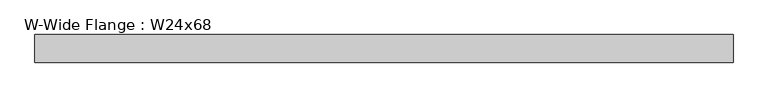
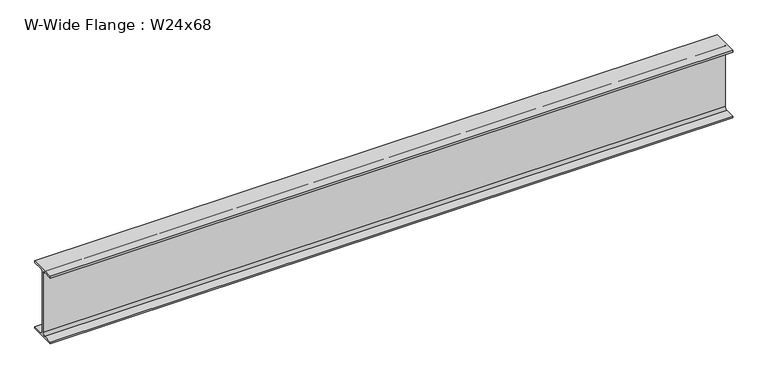
"""IFC4 building model written with IfcOpenShell, lengths in millimetres: beam geometry, W-Wide Flange : W24x68."""

import ifcopenshell
import ifcopenshell.guid

model = None  # the IFC model being written
_history = None  # IfcOwnerHistory: only IFC2X3 demands one
_inside = {}  # id of a spatial element -> (the spatial element, [elements in it])
_under = {}  # id of a project, library or spatial element -> (it, [spatial elements below it])
_declared = {}  # id of a project -> (the project, [libraries it declares])
_typed = {}  # id of a type object -> (the type object, [elements of that type])
_made_of = {}  # id of a material, layer set ... -> (it, [elements and type objects made of it])


def new_model(schema):
    """Start an empty IFC model of exactly this schema.

    Asked for "IFC4X3", IfcOpenShell would pick the latest addendum, in which some entities
    have other attributes; the version numbers below select the first issue.
    IFC2X3 requires an IfcOwnerHistory on every rooted entity: one is made here for all.
    """
    global model, _history
    if schema == "IFC4X3":
        model = ifcopenshell.file(schema_version=(4, 3, 0, 0))
    else:
        model = ifcopenshell.file(schema=schema)
    _inside.clear()
    _under.clear()
    _declared.clear()
    _typed.clear()
    _made_of.clear()
    _history = None
    if model.schema == "IFC2X3":
        org = make("IfcOrganization", Name="unknown")
        user = make(
            "IfcPersonAndOrganization",
            ThePerson=make("IfcPerson", FamilyName="unknown"),
            TheOrganization=org,
        )
        app = make(
            "IfcApplication",
            ApplicationDeveloper=org,
            Version="unknown",
            ApplicationFullName="unknown",
            ApplicationIdentifier="unknown",
        )
        _history = make(
            "IfcOwnerHistory",
            OwningUser=user,
            OwningApplication=app,
            ChangeAction="ADDED",
            CreationDate=0,
        )
    return model


def make(cls, **values):
    """One entity of the class cls with the attributes given. An attribute that is None is left unset."""
    return model.create_entity(
        cls, **{name: value for name, value in values.items() if value is not None}
    )


def rooted(cls, **values):
    """An entity with a GlobalId (a new one), such as an element, a storey or a relation."""
    return make(cls, GlobalId=ifcopenshell.guid.new(), OwnerHistory=_history, **values)


def si_unit(unit_type, name, prefix=None):
    """IfcSIUnit, for example si_unit("LENGTHUNIT", "METRE", prefix="MILLI")."""
    return make("IfcSIUnit", UnitType=unit_type, Prefix=prefix, Name=name)


def assignment(units):
    """IfcUnitAssignment: the units of a project."""
    return None if units is None else make("IfcUnitAssignment", Units=units)


def point(xyz):
    """IfcCartesianPoint."""
    return None if xyz is None else make("IfcCartesianPoint", Coordinates=xyz)


def direction(xyz):
    """IfcDirection."""
    return None if xyz is None else make("IfcDirection", DirectionRatios=xyz)


def frame(location, z_axis=None, x_axis=None):
    """IfcAxis2Placement3D, a coordinate frame: its origin and axes. An axis left out is left unset."""
    return make(
        "IfcAxis2Placement3D",
        Location=point(location),
        Axis=direction(z_axis),
        RefDirection=direction(x_axis),
    )


def frame_2d(location, x_axis=None):
    """IfcAxis2Placement2D, a coordinate frame in the plane: its origin and x axis."""
    return make(
        "IfcAxis2Placement2D", Location=point(location), RefDirection=direction(x_axis)
    )


def origin():
    """The frame at (0, 0, 0) with its axes left unset."""
    return frame((0.0, 0.0, 0.0))


def place(relative_to, where):
    """IfcLocalPlacement: puts the frame where relative to a parent placement (None: the world)."""
    return make(
        "IfcLocalPlacement", PlacementRelTo=relative_to, RelativePlacement=where
    )


def context(
    kind, dimensions, precision=None, world=None, true_north=None, identifier=None
):
    """IfcGeometricRepresentationContext, for example the 3D "Model" context."""
    return make(
        "IfcGeometricRepresentationContext",
        ContextIdentifier=identifier,
        ContextType=kind,
        CoordinateSpaceDimension=dimensions,
        Precision=precision,
        WorldCoordinateSystem=world,
        TrueNorth=true_north,
    )


def project(units=None, contexts=None):
    """IfcProject with its units and contexts."""
    return rooted(
        "IfcProject",
        Name="project",
        RepresentationContexts=contexts,
        UnitsInContext=assignment(units),
    )


def spatial(cls, under=None, at=None, **own):
    """A site, building, storey or space (cls), placed at a placement, below another one or the project."""
    s = rooted(cls, ObjectPlacement=at, **own)
    if under is not None:
        _under.setdefault(under.id(), (under, []))[1].append(s)
    return s


def polyline(points):
    """IfcPolyline through the points."""
    return make("IfcPolyline", Points=[point(p) for p in points])


def circle_curve(where, radius):
    """IfcCircle in the frame where."""
    return make("IfcCircle", Position=where, Radius=radius)


def trimmed(basis, trim1, trim2, sense, master):
    """IfcTrimmedCurve: the piece of a basis curve between two trims."""
    return make(
        "IfcTrimmedCurve",
        BasisCurve=basis,
        Trim1=trim1,
        Trim2=trim2,
        SenseAgreement=sense,
        MasterRepresentation=master,
    )


def segment(curve, same_sense, transition):
    """IfcCompositeCurveSegment."""
    return make(
        "IfcCompositeCurveSegment",
        Transition=transition,
        SameSense=same_sense,
        ParentCurve=curve,
    )


def composite_curve(segments, self_intersect=None):
    """IfcCompositeCurve: segments joined end to end."""
    return make("IfcCompositeCurve", Segments=segments, SelfIntersect=self_intersect)


def outline(outer, holes=None, kind="AREA"):
    """IfcArbitraryClosedProfileDef: a profile drawn as a closed curve; with holes, ...WithVoids."""
    if holes is None:
        return make("IfcArbitraryClosedProfileDef", ProfileType=kind, OuterCurve=outer)
    return make(
        "IfcArbitraryProfileDefWithVoids",
        ProfileType=kind,
        OuterCurve=outer,
        InnerCurves=holes,
    )


def extrude(swept, where, along, depth):
    """IfcExtrudedAreaSolid: the profile swept, set in the frame where, extruded along a direction by depth."""
    return make(
        "IfcExtrudedAreaSolid",
        SweptArea=swept,
        Position=where,
        ExtrudedDirection=direction(along),
        Depth=depth,
    )


def shape(context_of_items, identifier, shape_type, items):
    """IfcShapeRepresentation: the items that make up one representation, for example the "Body"."""
    return make(
        "IfcShapeRepresentation",
        ContextOfItems=context_of_items,
        RepresentationIdentifier=identifier,
        RepresentationType=shape_type,
        Items=items,
    )


def source(mapping_origin, context_of_items, identifier, shape_type, items):
    """IfcRepresentationMap: a shape defined once, which mapped items show again and again."""
    return make(
        "IfcRepresentationMap",
        MappingOrigin=mapping_origin,
        MappedRepresentation=shape(context_of_items, identifier, shape_type, items),
    )


def transform(
    local_origin,
    x_axis=None,
    y_axis=None,
    z_axis=None,
    scale=None,
    scale2=None,
    scale3=None,
    uniform=True,
):
    """IfcCartesianTransformationOperator3D, or its non-uniform kind. x_axis, y_axis, z_axis: its Axis1, 2, 3."""
    if uniform:
        return make(
            "IfcCartesianTransformationOperator3D",
            Axis1=direction(x_axis),
            Axis2=direction(y_axis),
            LocalOrigin=point(local_origin),
            Scale=scale,
            Axis3=direction(z_axis),
        )
    return make(
        "IfcCartesianTransformationOperator3DnonUniform",
        Axis1=direction(x_axis),
        Axis2=direction(y_axis),
        LocalOrigin=point(local_origin),
        Scale=scale,
        Axis3=direction(z_axis),
        Scale2=scale2,
        Scale3=scale3,
    )


def mapped(mapping_source, mapping_target):
    """IfcMappedItem: shows the shape of a source again, moved by a transform."""
    return make(
        "IfcMappedItem", MappingSource=mapping_source, MappingTarget=mapping_target
    )


def made_of(thing, what):
    """Note that an element or type object is made of a material, layer set ...; save() writes the relation."""
    if what is not None:
        _made_of.setdefault(what.id(), (what, []))[1].append(thing)
    return thing


def element(
    cls,
    number,
    at=None,
    inside=None,
    cuts=None,
    type_object=None,
    material=None,
    context=None,
    identifier="Body",
    shape_type=None,
    held_by="IfcProductDefinitionShape",
    body=None,
    shapes=None,
    **own,
):
    """One element of the class cls, such as IfcWall. Its Tag is "e" and its number.

    at: its placement. inside: the storey or other place that contains it. cuts: it is an
    opening in that element (IfcRelVoidsElement). A single representation is given by context,
    identifier, shape_type and body (its items); several are given by shapes. held_by: the class
    of the entity that holds the representations. save() writes the other relations.
    """
    e = rooted(cls, Tag="e%d" % number, ObjectPlacement=at, **own)
    if body is not None:
        shapes = [shape(context, identifier, shape_type, body)]
    if shapes is not None:
        e.Representation = make(held_by, Representations=shapes)
    if inside is not None:
        _inside.setdefault(inside.id(), (inside, []))[1].append(e)
    if cuts is not None:
        rooted(
            "IfcRelVoidsElement", RelatingBuildingElement=cuts, RelatedOpeningElement=e
        )
    if type_object is not None:
        _typed.setdefault(type_object.id(), (type_object, []))[1].append(e)
    return made_of(e, material)


def aggregate(whole, parts):
    """IfcRelAggregates: a whole, such as a stair, and the parts it consists of."""
    return rooted("IfcRelAggregates", RelatingObject=whole, RelatedObjects=parts)


def save(model, path):
    """Write the relations noted so far, then the file.

    IfcRelAggregates (storeys below a building ...), IfcRelContainedInSpatialStructure (elements
    in a storey), IfcRelDefinesByType, IfcRelAssociatesMaterial and IfcRelDeclares: one each for
    every whole, place, type object, material and project.
    """
    for whole, parts in _under.values():
        aggregate(whole, parts)
    for where, things in _inside.values():
        rooted(
            "IfcRelContainedInSpatialStructure",
            RelatedElements=things,
            RelatingStructure=where,
        )
    for kind, things in _typed.values():
        rooted("IfcRelDefinesByType", RelatedObjects=things, RelatingType=kind)
    for what, things in _made_of.values():
        rooted("IfcRelAssociatesMaterial", RelatedObjects=things, RelatingMaterial=what)
    for by, libraries in _declared.values():
        rooted("IfcRelDeclares", RelatingContext=by, RelatedDefinitions=libraries)
    model.write(path)


def w_wide_flange_w24x68_948111c7(model_context):
    return source(origin(), model_context, "Body", "SweptSolid", [
        extrude(outline(composite_curve([segment(polyline([(113.919, -286.131), (113.919, -300.99), (-113.919, -300.99), (-113.919, -286.131), (-28.5115, -286.131)]), True, "CONTINUOUS"), segment(trimmed(circle_curve(frame_2d((-28.5115, -262.89)), 23.241), [point((-28.5115, -286.131))], [point((-5.2705, -262.89))], True, "CARTESIAN"), True, "CONTINUOUS"), segment(polyline([(-5.2705, -262.89), (-5.2705, 262.89)]), True, "CONTINUOUS"), segment(trimmed(circle_curve(frame_2d((-28.5115, 262.89)), 23.241), [point((-5.2705, 262.89))], [point((-28.5115, 286.131))], True, "CARTESIAN"), True, "CONTINUOUS"), segment(polyline([(-28.5115, 286.131), (-113.919, 286.131), (-113.919, 300.99), (113.919, 300.99), (113.919, 286.131), (28.5115, 286.131)]), True, "CONTINUOUS"), segment(trimmed(circle_curve(frame_2d((28.5115, 262.89)), 23.241), [point((28.5115, 286.131))], [point((5.2705, 262.89))], True, "CARTESIAN"), True, "CONTINUOUS"), segment(polyline([(5.2705, 262.89), (5.2705, -262.89)]), True, "CONTINUOUS"), segment(trimmed(circle_curve(frame_2d((28.5115, -262.89)), 23.241), [point((5.2705, -262.89))], [point((28.5115, -286.131))], True, "CARTESIAN"), True, "CONTINUOUS"), segment(polyline([(28.5115, -286.131), (113.919, -286.131)]), True, "CONTINUOUS")], self_intersect=False)), frame((-2832.0813955, 0.0, 0.0), z_axis=(1.0, 0.0, 0.0), x_axis=(0.0, 1.0, 0.0)), (0.0, 0.0, 1.0), 5764.53),
    ])


if __name__ == "__main__":
    model = new_model("IFC4")
    model_context = context("Model", 3, world=origin())
    ifc_project = project(units=[si_unit("LENGTHUNIT", "METRE", prefix="MILLI")], contexts=[model_context])
    site = spatial("IfcSite", under=ifc_project)
    building = spatial("IfcBuilding", under=site)
    placement = place(None, origin())
    w_wide_flange_w24x68_shape = w_wide_flange_w24x68_948111c7(model_context)
    element("IfcBeam", 1, ObjectType="W-Wide Flange : W24x68", at=placement, inside=building, context=model_context, shape_type="MappedRepresentation", body=[
        mapped(w_wide_flange_w24x68_shape, transform((0.0, 0.0, 0.0), x_axis=(1.0, 0.0, 0.0), y_axis=(0.0, 1.0, 0.0), z_axis=(0.0, 0.0, 1.0))),
    ])
    save(model, "model.ifc")
